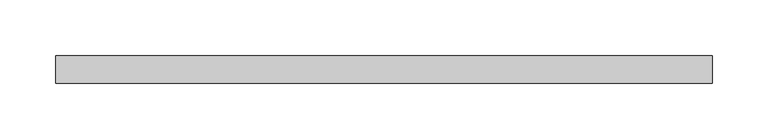
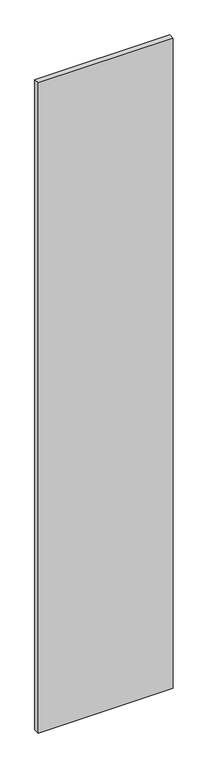
"""IFC4 building model written with IfcOpenShell, lengths in millimetres: plate geometry."""

from ifc_helpers import new_model, si_unit, origin, origin_with_axes, place, context, project, spatial, polyline, outline, extrude, source, transform, mapped, element, save


def plate_968afdac(model_context):
    return source(origin(), model_context, "Body", "SweptSolid", [
        extrude(outline(polyline([(294.9999998, 24.5), (-294.9999998, 24.5), (-294.9999998, 49.5), (294.9999998, 49.5), (294.9999998, 24.5)])), origin_with_axes(), (0.0, 0.0, 1.0), 3000.0),
    ])


if __name__ == "__main__":
    model = new_model("IFC4")
    model_context = context("Model", 3, world=origin())
    ifc_project = project(units=[si_unit("LENGTHUNIT", "METRE", prefix="MILLI")], contexts=[model_context])
    site = spatial("IfcSite", under=ifc_project)
    building = spatial("IfcBuilding", under=site)
    placement = place(None, origin())
    plate_shape = plate_968afdac(model_context)
    element("IfcPlate", 1, at=placement, inside=building, context=model_context, shape_type="MappedRepresentation", body=[
        mapped(plate_shape, transform((0.0, 0.0, 0.0), x_axis=(1.0, 0.0, 0.0), y_axis=(0.0, 1.0, 0.0), z_axis=(0.0, 0.0, 1.0))),
    ])
    save(model, "model.ifc")
